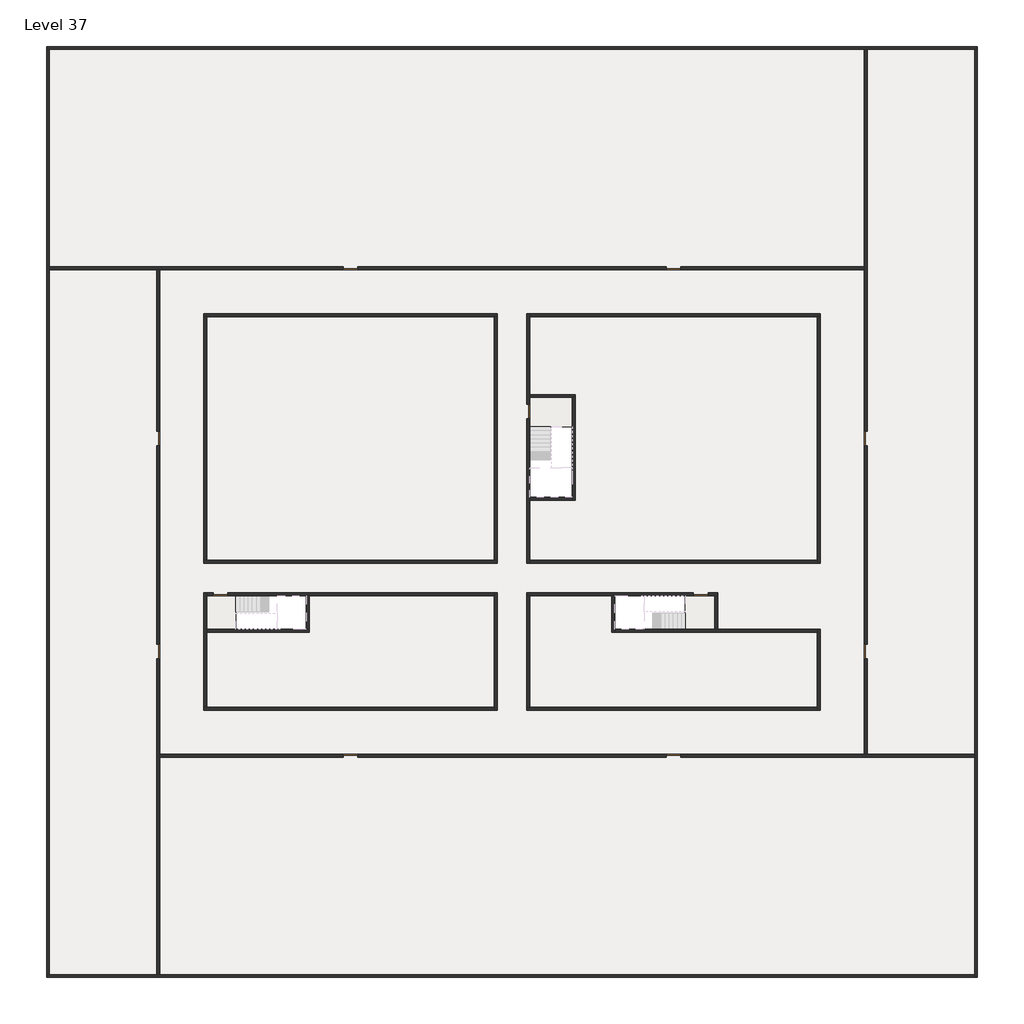
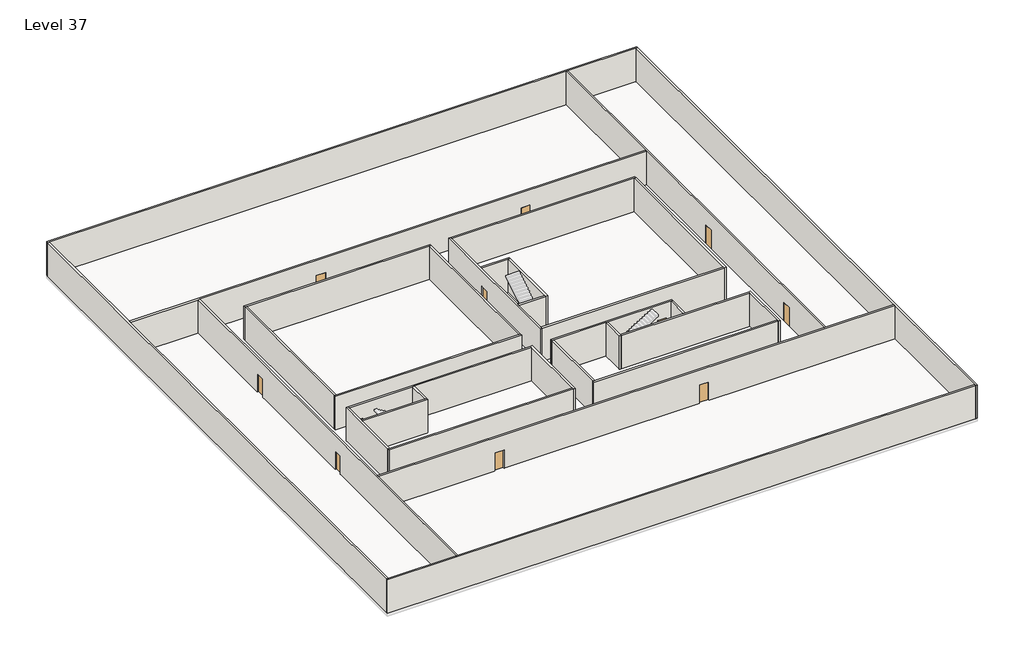
# One storey, part 1 of 2: 32 walls, 11 doors, 1 slab.
"""IFC4 building model written with IfcOpenShell, lengths in millimetres."""

import ifcopenshell
import ifcopenshell.guid

model = None  # the IFC model being written
_history = None  # IfcOwnerHistory: only IFC2X3 demands one
_inside = {}  # id of a spatial element -> (the spatial element, [elements in it])
_under = {}  # id of a project, library or spatial element -> (it, [spatial elements below it])
_declared = {}  # id of a project -> (the project, [libraries it declares])
_typed = {}  # id of a type object -> (the type object, [elements of that type])
_made_of = {}  # id of a material, layer set ... -> (it, [elements and type objects made of it])


def new_model(schema):
    """Start an empty IFC model of exactly this schema.

    Asked for "IFC4X3", IfcOpenShell would pick the latest addendum, in which some entities
    have other attributes; the version numbers below select the first issue.
    IFC2X3 requires an IfcOwnerHistory on every rooted entity: one is made here for all.
    """
    global model, _history
    if schema == "IFC4X3":
        model = ifcopenshell.file(schema_version=(4, 3, 0, 0))
    else:
        model = ifcopenshell.file(schema=schema)
    _inside.clear()
    _under.clear()
    _declared.clear()
    _typed.clear()
    _made_of.clear()
    _history = None
    if model.schema == "IFC2X3":
        org = make("IfcOrganization", Name="unknown")
        user = make(
            "IfcPersonAndOrganization",
            ThePerson=make("IfcPerson", FamilyName="unknown"),
            TheOrganization=org,
        )
        app = make(
            "IfcApplication",
            ApplicationDeveloper=org,
            Version="unknown",
            ApplicationFullName="unknown",
            ApplicationIdentifier="unknown",
        )
        _history = make(
            "IfcOwnerHistory",
            OwningUser=user,
            OwningApplication=app,
            ChangeAction="ADDED",
            CreationDate=0,
        )
    return model


def make(cls, **values):
    """One entity of the class cls with the attributes given. An attribute that is None is left unset."""
    return model.create_entity(
        cls, **{name: value for name, value in values.items() if value is not None}
    )


def rooted(cls, **values):
    """An entity with a GlobalId (a new one), such as an element, a storey or a relation."""
    return make(cls, GlobalId=ifcopenshell.guid.new(), OwnerHistory=_history, **values)


def si_unit(unit_type, name, prefix=None):
    """IfcSIUnit, for example si_unit("LENGTHUNIT", "METRE", prefix="MILLI")."""
    return make("IfcSIUnit", UnitType=unit_type, Prefix=prefix, Name=name)


def assignment(units):
    """IfcUnitAssignment: the units of a project."""
    return None if units is None else make("IfcUnitAssignment", Units=units)


def point(xyz):
    """IfcCartesianPoint."""
    return None if xyz is None else make("IfcCartesianPoint", Coordinates=xyz)


def direction(xyz):
    """IfcDirection."""
    return None if xyz is None else make("IfcDirection", DirectionRatios=xyz)


def frame(location, z_axis=None, x_axis=None):
    """IfcAxis2Placement3D, a coordinate frame: its origin and axes. An axis left out is left unset."""
    return make(
        "IfcAxis2Placement3D",
        Location=point(location),
        Axis=direction(z_axis),
        RefDirection=direction(x_axis),
    )


def origin():
    """The frame at (0, 0, 0) with its axes left unset."""
    return frame((0.0, 0.0, 0.0))


def origin_with_axes():
    """The frame at (0, 0, 0) with the z axis (0, 0, 1) and the x axis (1, 0, 0) written out."""
    return frame((0.0, 0.0, 0.0), z_axis=(0.0, 0.0, 1.0), x_axis=(1.0, 0.0, 0.0))


def place(relative_to, where):
    """IfcLocalPlacement: puts the frame where relative to a parent placement (None: the world)."""
    return make(
        "IfcLocalPlacement", PlacementRelTo=relative_to, RelativePlacement=where
    )


def context(
    kind, dimensions, precision=None, world=None, true_north=None, identifier=None
):
    """IfcGeometricRepresentationContext, for example the 3D "Model" context."""
    return make(
        "IfcGeometricRepresentationContext",
        ContextIdentifier=identifier,
        ContextType=kind,
        CoordinateSpaceDimension=dimensions,
        Precision=precision,
        WorldCoordinateSystem=world,
        TrueNorth=true_north,
    )


def project(units=None, contexts=None):
    """IfcProject with its units and contexts."""
    return rooted(
        "IfcProject",
        Name="project",
        RepresentationContexts=contexts,
        UnitsInContext=assignment(units),
    )


def spatial(cls, under=None, at=None, **own):
    """A site, building, storey or space (cls), placed at a placement, below another one or the project."""
    s = rooted(cls, ObjectPlacement=at, **own)
    if under is not None:
        _under.setdefault(under.id(), (under, []))[1].append(s)
    return s


def polyline(points):
    """IfcPolyline through the points."""
    return make("IfcPolyline", Points=[point(p) for p in points])


def outline(outer, holes=None, kind="AREA"):
    """IfcArbitraryClosedProfileDef: a profile drawn as a closed curve; with holes, ...WithVoids."""
    if holes is None:
        return make("IfcArbitraryClosedProfileDef", ProfileType=kind, OuterCurve=outer)
    return make(
        "IfcArbitraryProfileDefWithVoids",
        ProfileType=kind,
        OuterCurve=outer,
        InnerCurves=holes,
    )


def extrude(swept, where, along, depth):
    """IfcExtrudedAreaSolid: the profile swept, set in the frame where, extruded along a direction by depth."""
    return make(
        "IfcExtrudedAreaSolid",
        SweptArea=swept,
        Position=where,
        ExtrudedDirection=direction(along),
        Depth=depth,
    )


def faces_of(points, faces, orient=None, outer=None):
    """IfcFace entities. A face is a list of loops; a loop is a list of indices into points, from 0.

    orient and outer hold one flag for each loop. By default every Orientation is true, the
    first loop of a face is its IfcFaceOuterBound and the others are IfcFaceBound.
    """
    made = []
    for i, loops in enumerate(faces):
        bounds = []
        for j, loop in enumerate(loops):
            is_outer = j == 0 if outer is None else outer[i][j]
            bounds.append(
                make(
                    "IfcFaceOuterBound" if is_outer else "IfcFaceBound",
                    Bound=make("IfcPolyLoop", Polygon=[points[k] for k in loop]),
                    Orientation=True if orient is None else orient[i][j],
                )
            )
        made.append(make("IfcFace", Bounds=bounds))
    return made


def faceted_brep(points, faces, orient=None, outer=None, voids=None):
    """IfcFacetedBrep: a solid bounded by flat faces; with voids (closed shells), ...WithVoids."""
    shared = [point(p) for p in points]
    hull = make("IfcClosedShell", CfsFaces=faces_of(shared, faces, orient, outer))
    if voids is None:
        return make("IfcFacetedBrep", Outer=hull)
    return make(
        "IfcFacetedBrepWithVoids",
        Outer=hull,
        Voids=[
            make(cls, CfsFaces=faces_of(shared, fs, o, b)) for cls, fs, o, b in voids
        ],
    )


def shape(context_of_items, identifier, shape_type, items):
    """IfcShapeRepresentation: the items that make up one representation, for example the "Body"."""
    return make(
        "IfcShapeRepresentation",
        ContextOfItems=context_of_items,
        RepresentationIdentifier=identifier,
        RepresentationType=shape_type,
        Items=items,
    )


def source(mapping_origin, context_of_items, identifier, shape_type, items):
    """IfcRepresentationMap: a shape defined once, which mapped items show again and again."""
    return make(
        "IfcRepresentationMap",
        MappingOrigin=mapping_origin,
        MappedRepresentation=shape(context_of_items, identifier, shape_type, items),
    )


def transform(
    local_origin,
    x_axis=None,
    y_axis=None,
    z_axis=None,
    scale=None,
    scale2=None,
    scale3=None,
    uniform=True,
):
    """IfcCartesianTransformationOperator3D, or its non-uniform kind. x_axis, y_axis, z_axis: its Axis1, 2, 3."""
    if uniform:
        return make(
            "IfcCartesianTransformationOperator3D",
            Axis1=direction(x_axis),
            Axis2=direction(y_axis),
            LocalOrigin=point(local_origin),
            Scale=scale,
            Axis3=direction(z_axis),
        )
    return make(
        "IfcCartesianTransformationOperator3DnonUniform",
        Axis1=direction(x_axis),
        Axis2=direction(y_axis),
        LocalOrigin=point(local_origin),
        Scale=scale,
        Axis3=direction(z_axis),
        Scale2=scale2,
        Scale3=scale3,
    )


def mapped(mapping_source, mapping_target):
    """IfcMappedItem: shows the shape of a source again, moved by a transform."""
    return make(
        "IfcMappedItem", MappingSource=mapping_source, MappingTarget=mapping_target
    )


def made_of(thing, what):
    """Note that an element or type object is made of a material, layer set ...; save() writes the relation."""
    if what is not None:
        _made_of.setdefault(what.id(), (what, []))[1].append(thing)
    return thing


def element(
    cls,
    number,
    at=None,
    inside=None,
    cuts=None,
    type_object=None,
    material=None,
    context=None,
    identifier="Body",
    shape_type=None,
    held_by="IfcProductDefinitionShape",
    body=None,
    shapes=None,
    **own,
):
    """One element of the class cls, such as IfcWall. Its Tag is "e" and its number.

    at: its placement. inside: the storey or other place that contains it. cuts: it is an
    opening in that element (IfcRelVoidsElement). A single representation is given by context,
    identifier, shape_type and body (its items); several are given by shapes. held_by: the class
    of the entity that holds the representations. save() writes the other relations.
    """
    e = rooted(cls, Tag="e%d" % number, ObjectPlacement=at, **own)
    if body is not None:
        shapes = [shape(context, identifier, shape_type, body)]
    if shapes is not None:
        e.Representation = make(held_by, Representations=shapes)
    if inside is not None:
        _inside.setdefault(inside.id(), (inside, []))[1].append(e)
    if cuts is not None:
        rooted(
            "IfcRelVoidsElement", RelatingBuildingElement=cuts, RelatedOpeningElement=e
        )
    if type_object is not None:
        _typed.setdefault(type_object.id(), (type_object, []))[1].append(e)
    return made_of(e, material)


def aggregate(whole, parts):
    """IfcRelAggregates: a whole, such as a stair, and the parts it consists of."""
    return rooted("IfcRelAggregates", RelatingObject=whole, RelatedObjects=parts)


def save(model, path):
    """Write the relations noted so far, then the file.

    IfcRelAggregates (storeys below a building ...), IfcRelContainedInSpatialStructure (elements
    in a storey), IfcRelDefinesByType, IfcRelAssociatesMaterial and IfcRelDeclares: one each for
    every whole, place, type object, material and project.
    """
    for whole, parts in _under.values():
        aggregate(whole, parts)
    for where, things in _inside.values():
        rooted(
            "IfcRelContainedInSpatialStructure",
            RelatedElements=things,
            RelatingStructure=where,
        )
    for kind, things in _typed.values():
        rooted("IfcRelDefinesByType", RelatedObjects=things, RelatingType=kind)
    for what, things in _made_of.values():
        rooted("IfcRelAssociatesMaterial", RelatedObjects=things, RelatingMaterial=what)
    for by, libraries in _declared.values():
        rooted("IfcRelDeclares", RelatingContext=by, RelatedDefinitions=libraries)
    model.write(path)


def door_fb3c37fd(model_context):
    return source(origin(), model_context, "Body", "SweptSolid", [
        extrude(outline(polyline([(500.0, 49.0), (-500.0, 49.0), (-500.0, 100.0), (500.0, 100.0), (500.0, 49.0)])), origin_with_axes(), (0.0, 0.0, 1.0), 2100.0),
    ])


def door_0317a72c(model_context):
    return source(origin(), model_context, "Body", "SweptSolid", [
        extrude(outline(polyline([(500.0, -49.0), (500.0, -100.0), (-500.0, -100.0), (-500.0, -49.0), (500.0, -49.0)])), origin_with_axes(), (0.0, 0.0, 1.0), 2100.0),
    ])


model = new_model("IFC4")

# Units and contexts
model_context = context("Model", 3, world=origin())
ifc_project = project(units=[si_unit("LENGTHUNIT", "METRE", prefix="MILLI")], contexts=[model_context])

# Site, building, storey
site = spatial("IfcSite", under=ifc_project)
building = spatial("IfcBuilding", under=site)
storey = spatial("IfcBuildingStorey", under=building, Name="Level 37", Elevation=136800.0)

# Doors
placement = place(None, origin())
door_shape = door_fb3c37fd(model_context)
element("IfcDoor", 1, at=placement, inside=storey, context=model_context, shape_type="MappedRepresentation", body=[
    mapped(door_shape, transform((4340.1058784, -42818.09644, 136800.0), x_axis=(-1.0, 0.0, 0.0), y_axis=(0.0, -1.0, 0.0), z_axis=(0.0, 0.0, 1.0))),
])
element("IfcDoor", 2, at=placement, inside=storey, context=model_context, shape_type="MappedRepresentation", body=[
    mapped(door_shape, transform((90.1058784, -32218.09644, 136800.0), x_axis=(0.0, -1.0, 0.0), y_axis=(1.0, 0.0, 0.0), z_axis=(0.0, 0.0, 1.0))),
])
element("IfcDoor", 3, at=placement, inside=storey, context=model_context, shape_type="MappedRepresentation", body=[
    mapped(door_shape, transform((90.1058784, -46718.09644, 136800.0), x_axis=(0.0, -1.0, 0.0), y_axis=(1.0, 0.0, 0.0), z_axis=(0.0, 0.0, 1.0))),
])
element("IfcDoor", 4, at=placement, inside=storey, context=model_context, shape_type="MappedRepresentation", body=[
    mapped(door_shape, transform((13190.1058784, -53818.09644, 136800.0), x_axis=(1.0, 0.0, 0.0), y_axis=(0.0, 1.0, 0.0), z_axis=(0.0, 0.0, 1.0))),
])
element("IfcDoor", 5, at=placement, inside=storey, context=model_context, shape_type="MappedRepresentation", body=[
    mapped(door_shape, transform((35190.1058784, -53818.09644, 136800.0), x_axis=(1.0, 0.0, 0.0), y_axis=(0.0, 1.0, 0.0), z_axis=(0.0, 0.0, 1.0))),
])
element("IfcDoor", 6, at=placement, inside=storey, context=model_context, shape_type="MappedRepresentation", body=[
    mapped(door_shape, transform((35190.1058784, -20618.09644, 136800.0), x_axis=(-1.0, 0.0, 0.0), y_axis=(0.0, -1.0, 0.0), z_axis=(0.0, 0.0, 1.0))),
])
element("IfcDoor", 7, at=placement, inside=storey, context=model_context, shape_type="MappedRepresentation", body=[
    mapped(door_shape, transform((13190.1058784, -20618.09644, 136800.0), x_axis=(-1.0, 0.0, 0.0), y_axis=(0.0, -1.0, 0.0), z_axis=(0.0, 0.0, 1.0))),
])
door_2_shape = door_0317a72c(model_context)
element("IfcDoor", 8, at=placement, inside=storey, context=model_context, shape_type="MappedRepresentation", body=[
    mapped(door_2_shape, transform((25290.1058784, -30368.09644, 136800.0), x_axis=(0.0, 1.0, 0.0), y_axis=(-1.0, 0.0, 0.0), z_axis=(0.0, 0.0, 1.0))),
])
element("IfcDoor", 9, at=placement, inside=storey, context=model_context, shape_type="MappedRepresentation", body=[
    mapped(door_2_shape, transform((37040.1058784, -42818.09644, 136800.0), x_axis=(1.0, 0.0, 0.0), y_axis=(0.0, 1.0, 0.0), z_axis=(0.0, 0.0, 1.0))),
])
element("IfcDoor", 10, at=placement, inside=storey, context=model_context, shape_type="MappedRepresentation", body=[
    mapped(door_2_shape, transform((48290.1058784, -46718.09644, 136800.0), x_axis=(0.0, -1.0, 0.0), y_axis=(1.0, 0.0, 0.0), z_axis=(0.0, 0.0, 1.0))),
])
element("IfcDoor", 11, at=placement, inside=storey, context=model_context, shape_type="MappedRepresentation", body=[
    mapped(door_2_shape, transform((48290.1058784, -32218.09644, 136800.0), x_axis=(0.0, -1.0, 0.0), y_axis=(1.0, 0.0, 0.0), z_axis=(0.0, 0.0, 1.0))),
])

# Slab
element("IfcSlab", 12, at=placement, inside=storey, context=model_context, shape_type="SweptSolid", body=[
    extrude(outline(polyline([(5390.1058784, -42918.09644), (5390.1058784, -45218.09644), (3390.1058784, -45218.09644), (3390.1058784, -42918.09644), (5390.1058784, -42918.09644)])), frame((0.0, 0.0, 136500.0), z_axis=(0.0, 0.0, 1.0), x_axis=(1.0, 0.0, 0.0)), (0.0, 0.0, 1.0), 300.0),
    extrude(outline(polyline([(28290.1058784, -29418.09644), (28290.1058784, -31418.09644), (25390.1058784, -31418.09644), (25390.1058784, -29418.09644), (28290.1058784, -29418.09644)])), frame((0.0, 0.0, 136500.0), z_axis=(0.0, 0.0, 1.0), x_axis=(1.0, 0.0, 0.0)), (0.0, 0.0, 1.0), 300.0),
    extrude(outline(polyline([(37990.1058784, -42918.09644), (37990.1058784, -45218.09644), (35990.1058784, -45218.09644), (35990.1058784, -42918.09644), (37990.1058784, -42918.09644)])), frame((0.0, 0.0, 136500.0), z_axis=(0.0, 0.0, 1.0), x_axis=(1.0, 0.0, 0.0)), (0.0, 0.0, 1.0), 300.0),
])

# Walls
element("IfcWall", 13, at=placement, inside=storey, context=model_context, shape_type="Brep", body=[
    faceted_brep([(-7509.8941216, -5718.09644, 136800.0), (-7309.8941216, -5718.09644, 136800.0), (48190.1058784, -5718.09644, 136800.0), (48390.1058784, -5718.09644, 136800.0), (55690.1058784, -5718.09644, 136800.0), (55890.1058784, -5718.09644, 136800.0), (55890.1058784, -5718.09644, 140600.0), (55690.1058784, -5718.09644, 140600.0), (48390.1058784, -5718.09644, 140600.0), (48190.1058784, -5718.09644, 140600.0), (-7309.8941216, -5718.09644, 140600.0), (-7509.8941216, -5718.09644, 140600.0), (-7509.8941216, -5518.09644, 136800.0), (-7509.8941216, -5518.09644, 140600.0), (55890.1058784, -5518.09644, 140600.0), (55890.1058784, -5518.09644, 136800.0)], [[[0, 1, 2, 3, 4, 5, 6, 7, 8, 9, 10, 11]], [[12, 13, 14, 15]], [[5, 4, 3, 2, 1, 0, 12, 15]], [[11, 10, 9, 8, 7, 6, 14, 13]], [[0, 11, 13, 12]], [[6, 5, 15, 14]]]),
])
element("IfcWall", 14, at=placement, inside=storey, context=model_context, shape_type="Brep", body=[
    faceted_brep([(55690.1058784, -5718.09644, 136800.0), (55690.1058784, -53718.09644, 136800.0), (55690.1058784, -53918.09644, 136800.0), (55690.1058784, -68718.09644, 136800.0), (55690.1058784, -68918.09644, 136800.0), (55690.1058784, -68918.09644, 140600.0), (55690.1058784, -68718.09644, 140600.0), (55690.1058784, -53918.09644, 140600.0), (55690.1058784, -53718.09644, 140600.0), (55690.1058784, -5718.09644, 140600.0), (55890.1058784, -5718.09644, 136800.0), (55890.1058784, -5718.09644, 140600.0), (55890.1058784, -68918.09644, 140600.0), (55890.1058784, -68918.09644, 136800.0)], [[[0, 1, 2, 3, 4, 5, 6, 7, 8, 9]], [[10, 11, 12, 13]], [[4, 3, 2, 1, 0, 10, 13]], [[9, 8, 7, 6, 5, 12, 11]], [[5, 4, 13, 12]], [[0, 9, 11, 10]]]),
])
element("IfcWall", 15, at=placement, inside=storey, context=model_context, shape_type="Brep", body=[
    faceted_brep([(55690.1058784, -68718.09644, 136800.0), (190.1058784, -68718.09644, 136800.0), (-9.8941216, -68718.09644, 136800.0), (-7309.8941216, -68718.09644, 136800.0), (-7509.8941216, -68718.09644, 136800.0), (-7509.8941216, -68718.09644, 140600.0), (-7309.8941216, -68718.09644, 140600.0), (-9.8941216, -68718.09644, 140600.0), (190.1058784, -68718.09644, 140600.0), (55690.1058784, -68718.09644, 140600.0), (55690.1058784, -68918.09644, 136800.0), (55690.1058784, -68918.09644, 140600.0), (-7509.8941216, -68918.09644, 140600.0), (-7509.8941216, -68918.09644, 136800.0)], [[[0, 1, 2, 3, 4, 5, 6, 7, 8, 9]], [[10, 11, 12, 13]], [[4, 3, 2, 1, 0, 10, 13]], [[9, 8, 7, 6, 5, 12, 11]], [[5, 4, 13, 12]], [[0, 9, 11, 10]]]),
])
element("IfcWall", 16, at=placement, inside=storey, context=model_context, shape_type="Brep", body=[
    faceted_brep([(-7309.8941216, -68718.09644, 136800.0), (-7309.8941216, -20718.09644, 136800.0), (-7309.8941216, -20518.09644, 136800.0), (-7309.8941216, -5718.09644, 136800.0), (-7309.8941216, -5718.09644, 140600.0), (-7309.8941216, -20518.09644, 140600.0), (-7309.8941216, -20718.09644, 140600.0), (-7309.8941216, -68718.09644, 140600.0), (-7509.8941216, -68718.09644, 136800.0), (-7509.8941216, -68718.09644, 140600.0), (-7509.8941216, -5718.09644, 140600.0), (-7509.8941216, -5718.09644, 136800.0)], [[[0, 1, 2, 3, 4, 5, 6, 7]], [[8, 9, 10, 11]], [[3, 2, 1, 0, 8, 11]], [[7, 6, 5, 4, 10, 9]], [[0, 7, 9, 8]], [[4, 3, 11, 10]]]),
])
element("IfcWall", 17, at=placement, inside=storey, context=model_context, shape_type="Brep", body=[
    faceted_brep([(3190.1058784, -23918.09644, 136800.0), (3390.1058784, -23918.09644, 136800.0), (22990.1058784, -23918.09644, 136800.0), (23190.1058784, -23918.09644, 136800.0), (23190.1058784, -23918.09644, 140600.0), (22990.1058784, -23918.09644, 140600.0), (3390.1058784, -23918.09644, 140600.0), (3190.1058784, -23918.09644, 140600.0), (3190.1058784, -23718.09644, 136800.0), (3190.1058784, -23718.09644, 140600.0), (23190.1058784, -23718.09644, 140600.0), (23190.1058784, -23718.09644, 136800.0)], [[[0, 1, 2, 3, 4, 5, 6, 7]], [[8, 9, 10, 11]], [[3, 2, 1, 0, 8, 11]], [[7, 6, 5, 4, 10, 9]], [[0, 7, 9, 8]], [[4, 3, 11, 10]]]),
])
element("IfcWall", 18, at=placement, inside=storey, context=model_context, shape_type="Brep", body=[
    faceted_brep([(44990.1058784, -23918.09644, 136800.0), (44990.1058784, -40518.09644, 136800.0), (44990.1058784, -40718.09644, 136800.0), (44990.1058784, -40718.09644, 140600.0), (44990.1058784, -40518.09644, 140600.0), (44990.1058784, -23918.09644, 140600.0), (45190.1058784, -23918.09644, 136800.0), (45190.1058784, -23918.09644, 140600.0), (45190.1058784, -40718.09644, 140600.0), (45190.1058784, -40718.09644, 136800.0)], [[[0, 1, 2, 3, 4, 5]], [[6, 7, 8, 9]], [[2, 1, 0, 6, 9]], [[5, 4, 3, 8, 7]], [[3, 2, 9, 8]], [[0, 5, 7, 6]]]),
])
element("IfcWall", 19, at=placement, inside=storey, context=model_context, shape_type="Brep", body=[
    faceted_brep([(44990.1058784, -50518.09644, 136800.0), (25390.1058784, -50518.09644, 136800.0), (25190.1058784, -50518.09644, 136800.0), (25190.1058784, -50518.09644, 140600.0), (25390.1058784, -50518.09644, 140600.0), (44990.1058784, -50518.09644, 140600.0), (44990.1058784, -50718.09644, 136800.0), (44990.1058784, -50718.09644, 140600.0), (25190.1058784, -50718.09644, 140600.0), (25190.1058784, -50718.09644, 136800.0)], [[[0, 1, 2, 3, 4, 5]], [[6, 7, 8, 9]], [[2, 1, 0, 6, 9]], [[5, 4, 3, 8, 7]], [[3, 2, 9, 8]], [[0, 5, 7, 6]]]),
])
element("IfcWall", 20, at=placement, inside=storey, context=model_context, shape_type="Brep", body=[
    faceted_brep([(3390.1058784, -50518.09644, 136800.0), (3390.1058784, -45418.09644, 136800.0), (3390.1058784, -45218.09644, 136800.0), (3390.1058784, -42918.09644, 136800.0), (3390.1058784, -42718.09644, 136800.0), (3390.1058784, -42718.09644, 140600.0), (3390.1058784, -42918.09644, 140600.0), (3390.1058784, -45218.09644, 140600.0), (3390.1058784, -45418.09644, 140600.0), (3390.1058784, -50518.09644, 140600.0), (3190.1058784, -50518.09644, 136800.0), (3190.1058784, -50518.09644, 140600.0), (3190.1058784, -42718.09644, 140600.0), (3190.1058784, -42718.09644, 136800.0)], [[[0, 1, 2, 3, 4, 5, 6, 7, 8, 9]], [[10, 11, 12, 13]], [[4, 3, 2, 1, 0, 10, 13]], [[9, 8, 7, 6, 5, 12, 11]], [[0, 9, 11, 10]], [[5, 4, 13, 12]]]),
])
element("IfcWall", 21, at=placement, inside=storey, context=model_context, shape_type="SweptSolid", body=[
    extrude(outline(polyline([(22990.1058784, -40518.09644), (22990.1058784, -23918.09644), (23190.1058784, -23918.09644), (23190.1058784, -40518.09644), (22990.1058784, -40518.09644)])), frame((0.0, 0.0, 136800.0), z_axis=(0.0, 0.0, 1.0), x_axis=(1.0, 0.0, 0.0)), (0.0, 0.0, 1.0), 3800.0),
])
element("IfcWall", 22, at=placement, inside=storey, context=model_context, shape_type="Brep", body=[
    faceted_brep([(23190.1058784, -40518.09644, 136800.0), (22990.1058784, -40518.09644, 136800.0), (3390.1058784, -40518.09644, 136800.0), (3190.1058784, -40518.09644, 136800.0), (3190.1058784, -40518.09644, 140600.0), (3390.1058784, -40518.09644, 140600.0), (22990.1058784, -40518.09644, 140600.0), (23190.1058784, -40518.09644, 140600.0), (23190.1058784, -40718.09644, 136800.0), (23190.1058784, -40718.09644, 140600.0), (3190.1058784, -40718.09644, 140600.0), (3190.1058784, -40718.09644, 136800.0)], [[[0, 1, 2, 3, 4, 5, 6, 7]], [[8, 9, 10, 11]], [[3, 2, 1, 0, 8, 11]], [[7, 6, 5, 4, 10, 9]], [[4, 3, 11, 10]], [[0, 7, 9, 8]]]),
])
element("IfcWall", 23, at=placement, inside=storey, context=model_context, shape_type="Brep", body=[
    faceted_brep([(3390.1058784, -42918.09644, 136800.0), (3840.1058784, -42918.09644, 136800.0), (3840.1058784, -42918.09644, 138900.0), (4840.1058784, -42918.09644, 138900.0), (4840.1058784, -42918.09644, 136800.0), (10190.1058784, -42918.09644, 136800.0), (10390.1058784, -42918.09644, 136800.0), (22990.1058784, -42918.09644, 136800.0), (22990.1058784, -42918.09644, 140600.0), (10390.1058784, -42918.09644, 140600.0), (10190.1058784, -42918.09644, 140600.0), (3390.1058784, -42918.09644, 140600.0), (3840.1058784, -42718.09644, 138900.0), (3840.1058784, -42718.09644, 136800.0), (3390.1058784, -42718.09644, 136800.0), (3390.1058784, -42718.09644, 140600.0), (22990.1058784, -42718.09644, 140600.0), (22990.1058784, -42718.09644, 136800.0), (4840.1058784, -42718.09644, 136800.0), (4840.1058784, -42718.09644, 138900.0)], [[[0, 1, 2, 3, 4, 5, 6, 7, 8, 9, 10, 11]], [[12, 13, 14, 15, 16, 17, 18, 19]], [[18, 17, 7, 6, 5, 4]], [[14, 13, 1, 0]], [[11, 10, 9, 8, 16, 15]], [[2, 1, 13, 12]], [[3, 2, 12, 19]], [[4, 3, 19, 18]], [[0, 11, 15, 14]], [[8, 7, 17, 16]]]),
])
element("IfcWall", 24, at=placement, inside=storey, context=model_context, shape_type="SweptSolid", body=[
    extrude(outline(polyline([(25390.1058784, -40518.09644), (44990.1058784, -40518.09644), (44990.1058784, -40718.09644), (25390.1058784, -40718.09644), (25390.1058784, -40518.09644)])), frame((0.0, 0.0, 136800.0), z_axis=(0.0, 0.0, 1.0), x_axis=(1.0, 0.0, 0.0)), (0.0, 0.0, 1.0), 3800.0),
])
element("IfcWall", 25, at=placement, inside=storey, context=model_context, shape_type="Brep", body=[
    faceted_brep([(25390.1058784, -29868.09644, 138900.0), (25390.1058784, -29868.09644, 136800.0), (25390.1058784, -29418.09644, 136800.0), (25390.1058784, -29218.09644, 136800.0), (25390.1058784, -23918.09644, 136800.0), (25390.1058784, -23718.09644, 136800.0), (25390.1058784, -23718.09644, 140600.0), (25390.1058784, -23918.09644, 140600.0), (25390.1058784, -29218.09644, 140600.0), (25390.1058784, -29418.09644, 140600.0), (25390.1058784, -36218.09644, 140600.0), (25390.1058784, -36418.09644, 140600.0), (25390.1058784, -40518.09644, 140600.0), (25390.1058784, -40718.09644, 140600.0), (25390.1058784, -40718.09644, 136800.0), (25390.1058784, -40518.09644, 136800.0), (25390.1058784, -36418.09644, 136800.0), (25390.1058784, -36218.09644, 136800.0), (25390.1058784, -30868.09644, 136800.0), (25390.1058784, -30868.09644, 138900.0), (25190.1058784, -23718.09644, 136800.0), (25190.1058784, -29868.09644, 136800.0), (25190.1058784, -29868.09644, 138900.0), (25190.1058784, -30868.09644, 138900.0), (25190.1058784, -30868.09644, 136800.0), (25190.1058784, -40718.09644, 136800.0), (25190.1058784, -40718.09644, 140600.0), (25190.1058784, -23718.09644, 140600.0)], [[[0, 1, 2, 3, 4, 5, 6, 7, 8, 9, 10, 11, 12, 13, 14, 15, 16, 17, 18, 19]], [[20, 21, 22, 23, 24, 25, 26, 27]], [[5, 4, 3, 2, 1, 21, 20]], [[18, 17, 16, 15, 14, 25, 24]], [[13, 12, 11, 10, 9, 8, 7, 6, 27, 26]], [[22, 21, 1, 0]], [[23, 22, 0, 19]], [[24, 23, 19, 18]], [[14, 13, 26, 25]], [[6, 5, 20, 27]]]),
])
element("IfcWall", 26, at=placement, inside=storey, context=model_context, shape_type="SweptSolid", body=[
    extrude(outline(polyline([(3390.1058784, -23918.09644), (3390.1058784, -40518.09644), (3190.1058784, -40518.09644), (3190.1058784, -23918.09644), (3390.1058784, -23918.09644)])), frame((0.0, 0.0, 136800.0), z_axis=(0.0, 0.0, 1.0), x_axis=(1.0, 0.0, 0.0)), (0.0, 0.0, 1.0), 3800.0),
])
element("IfcWall", 27, at=placement, inside=storey, context=model_context, shape_type="Brep", body=[
    faceted_brep([(25390.1058784, -23918.09644, 136800.0), (44990.1058784, -23918.09644, 136800.0), (45190.1058784, -23918.09644, 136800.0), (45190.1058784, -23918.09644, 140600.0), (44990.1058784, -23918.09644, 140600.0), (25390.1058784, -23918.09644, 140600.0), (25390.1058784, -23718.09644, 136800.0), (25390.1058784, -23718.09644, 140600.0), (45190.1058784, -23718.09644, 140600.0), (45190.1058784, -23718.09644, 136800.0)], [[[0, 1, 2, 3, 4, 5]], [[6, 7, 8, 9]], [[2, 1, 0, 6, 9]], [[5, 4, 3, 8, 7]], [[3, 2, 9, 8]], [[0, 5, 7, 6]]]),
])
element("IfcWall", 28, at=placement, inside=storey, context=model_context, shape_type="Brep", body=[
    faceted_brep([(44990.1058784, -45218.09644, 136800.0), (44990.1058784, -45418.09644, 136800.0), (44990.1058784, -50518.09644, 136800.0), (44990.1058784, -50718.09644, 136800.0), (44990.1058784, -50718.09644, 140600.0), (44990.1058784, -50518.09644, 140600.0), (44990.1058784, -45418.09644, 140600.0), (44990.1058784, -45218.09644, 140600.0), (45190.1058784, -45218.09644, 136800.0), (45190.1058784, -45218.09644, 140600.0), (45190.1058784, -50718.09644, 140600.0), (45190.1058784, -50718.09644, 136800.0)], [[[0, 1, 2, 3, 4, 5, 6, 7]], [[8, 9, 10, 11]], [[3, 2, 1, 0, 8, 11]], [[7, 6, 5, 4, 10, 9]], [[4, 3, 11, 10]], [[0, 7, 9, 8]]]),
])
element("IfcWall", 29, at=placement, inside=storey, context=model_context, shape_type="Brep", body=[
    faceted_brep([(25390.1058784, -29418.09644, 136800.0), (28290.1058784, -29418.09644, 136800.0), (28490.1058784, -29418.09644, 136800.0), (28490.1058784, -29418.09644, 140600.0), (28290.1058784, -29418.09644, 140600.0), (25390.1058784, -29418.09644, 140600.0), (25390.1058784, -29218.09644, 136800.0), (25390.1058784, -29218.09644, 140600.0), (28490.1058784, -29218.09644, 140600.0), (28490.1058784, -29218.09644, 136800.0)], [[[0, 1, 2, 3, 4, 5]], [[6, 7, 8, 9]], [[2, 1, 0, 6, 9]], [[5, 4, 3, 8, 7]], [[3, 2, 9, 8]], [[0, 5, 7, 6]]]),
])
element("IfcWall", 30, at=placement, inside=storey, context=model_context, shape_type="Brep", body=[
    faceted_brep([(28290.1058784, -29418.09644, 136800.0), (28290.1058784, -36218.09644, 136800.0), (28290.1058784, -36418.09644, 136800.0), (28290.1058784, -36418.09644, 140600.0), (28290.1058784, -36218.09644, 140600.0), (28290.1058784, -29418.09644, 140600.0), (28490.1058784, -29418.09644, 136800.0), (28490.1058784, -29418.09644, 140600.0), (28490.1058784, -36418.09644, 140600.0), (28490.1058784, -36418.09644, 136800.0)], [[[0, 1, 2, 3, 4, 5]], [[6, 7, 8, 9]], [[2, 1, 0, 6, 9]], [[5, 4, 3, 8, 7]], [[3, 2, 9, 8]], [[0, 5, 7, 6]]]),
])
element("IfcWall", 31, at=placement, inside=storey, context=model_context, shape_type="SweptSolid", body=[
    extrude(outline(polyline([(25390.1058784, -36218.09644), (28290.1058784, -36218.09644), (28290.1058784, -36418.09644), (25390.1058784, -36418.09644), (25390.1058784, -36218.09644)])), frame((0.0, 0.0, 136800.0), z_axis=(0.0, 0.0, 1.0), x_axis=(1.0, 0.0, 0.0)), (0.0, 0.0, 1.0), 3800.0),
])
element("IfcWall", 32, at=placement, inside=storey, context=model_context, shape_type="Brep", body=[
    faceted_brep([(3390.1058784, -45418.09644, 136800.0), (10390.1058784, -45418.09644, 136800.0), (10390.1058784, -45418.09644, 140600.0), (3390.1058784, -45418.09644, 140600.0), (3390.1058784, -45218.09644, 136800.0), (3390.1058784, -45218.09644, 140600.0), (10190.1058784, -45218.09644, 140600.0), (10390.1058784, -45218.09644, 140600.0), (10390.1058784, -45218.09644, 136800.0), (10190.1058784, -45218.09644, 136800.0)], [[[0, 1, 2, 3]], [[4, 5, 6, 7, 8, 9]], [[1, 0, 4, 9, 8]], [[3, 2, 7, 6, 5]], [[2, 1, 8, 7]], [[0, 3, 5, 4]]]),
])
element("IfcWall", 33, at=placement, inside=storey, context=model_context, shape_type="SweptSolid", body=[
    extrude(outline(polyline([(10390.1058784, -42918.09644), (10390.1058784, -45218.09644), (10190.1058784, -45218.09644), (10190.1058784, -42918.09644), (10390.1058784, -42918.09644)])), frame((0.0, 0.0, 136800.0), z_axis=(0.0, 0.0, 1.0), x_axis=(1.0, 0.0, 0.0)), (0.0, 0.0, 1.0), 3800.0),
])
element("IfcWall", 34, at=placement, inside=storey, context=model_context, shape_type="Brep", body=[
    faceted_brep([(30990.1058784, -42918.09644, 136800.0), (30990.1058784, -45418.09644, 136800.0), (30990.1058784, -45418.09644, 140600.0), (30990.1058784, -42918.09644, 140600.0), (31190.1058784, -42918.09644, 136800.0), (31190.1058784, -42918.09644, 140600.0), (31190.1058784, -45218.09644, 140600.0), (31190.1058784, -45418.09644, 140600.0), (31190.1058784, -45418.09644, 136800.0), (31190.1058784, -45218.09644, 136800.0)], [[[0, 1, 2, 3]], [[4, 5, 6, 7, 8, 9]], [[1, 0, 4, 9, 8]], [[3, 2, 7, 6, 5]], [[2, 1, 8, 7]], [[0, 3, 5, 4]]]),
])
element("IfcWall", 35, at=placement, inside=storey, context=model_context, shape_type="Brep", body=[
    faceted_brep([(31190.1058784, -45418.09644, 136800.0), (44990.1058784, -45418.09644, 136800.0), (44990.1058784, -45418.09644, 140600.0), (31190.1058784, -45418.09644, 140600.0), (31190.1058784, -45218.09644, 136800.0), (31190.1058784, -45218.09644, 140600.0), (37990.1058784, -45218.09644, 140600.0), (38190.1058784, -45218.09644, 140600.0), (44990.1058784, -45218.09644, 140600.0), (44990.1058784, -45218.09644, 136800.0), (38190.1058784, -45218.09644, 136800.0), (37990.1058784, -45218.09644, 136800.0)], [[[0, 1, 2, 3]], [[4, 5, 6, 7, 8, 9, 10, 11]], [[1, 0, 4, 11, 10, 9]], [[3, 2, 8, 7, 6, 5]], [[0, 3, 5, 4]], [[2, 1, 9, 8]]]),
])
element("IfcWall", 36, at=placement, inside=storey, context=model_context, shape_type="SweptSolid", body=[
    extrude(outline(polyline([(25190.1058784, -50518.09644), (25190.1058784, -42918.09644), (25390.1058784, -42918.09644), (25390.1058784, -50518.09644), (25190.1058784, -50518.09644)])), frame((0.0, 0.0, 136800.0), z_axis=(0.0, 0.0, 1.0), x_axis=(1.0, 0.0, 0.0)), (0.0, 0.0, 1.0), 3800.0),
])
element("IfcWall", 37, at=placement, inside=storey, context=model_context, shape_type="Brep", body=[
    faceted_brep([(22990.1058784, -42718.09644, 136800.0), (22990.1058784, -42918.09644, 136800.0), (22990.1058784, -50518.09644, 136800.0), (22990.1058784, -50718.09644, 136800.0), (22990.1058784, -50718.09644, 140600.0), (22990.1058784, -50518.09644, 140600.0), (22990.1058784, -42918.09644, 140600.0), (22990.1058784, -42718.09644, 140600.0), (23190.1058784, -42718.09644, 136800.0), (23190.1058784, -42718.09644, 140600.0), (23190.1058784, -50718.09644, 140600.0), (23190.1058784, -50718.09644, 136800.0)], [[[0, 1, 2, 3, 4, 5, 6, 7]], [[8, 9, 10, 11]], [[3, 2, 1, 0, 8, 11]], [[7, 6, 5, 4, 10, 9]], [[4, 3, 11, 10]], [[0, 7, 9, 8]]]),
])
element("IfcWall", 38, at=placement, inside=storey, context=model_context, shape_type="Brep", body=[
    faceted_brep([(37540.1058784, -42918.09644, 138900.0), (37540.1058784, -42918.09644, 136800.0), (37990.1058784, -42918.09644, 136800.0), (38190.1058784, -42918.09644, 136800.0), (38190.1058784, -42918.09644, 140600.0), (37990.1058784, -42918.09644, 140600.0), (31190.1058784, -42918.09644, 140600.0), (30990.1058784, -42918.09644, 140600.0), (25390.1058784, -42918.09644, 140600.0), (25190.1058784, -42918.09644, 140600.0), (25190.1058784, -42918.09644, 136800.0), (25390.1058784, -42918.09644, 136800.0), (30990.1058784, -42918.09644, 136800.0), (31190.1058784, -42918.09644, 136800.0), (36540.1058784, -42918.09644, 136800.0), (36540.1058784, -42918.09644, 138900.0), (38190.1058784, -42718.09644, 136800.0), (37540.1058784, -42718.09644, 136800.0), (37540.1058784, -42718.09644, 138900.0), (36540.1058784, -42718.09644, 138900.0), (36540.1058784, -42718.09644, 136800.0), (25190.1058784, -42718.09644, 136800.0), (25190.1058784, -42718.09644, 140600.0), (38190.1058784, -42718.09644, 140600.0)], [[[0, 1, 2, 3, 4, 5, 6, 7, 8, 9, 10, 11, 12, 13, 14, 15]], [[16, 17, 18, 19, 20, 21, 22, 23]], [[3, 2, 1, 17, 16]], [[14, 13, 12, 11, 10, 21, 20]], [[9, 8, 7, 6, 5, 4, 23, 22]], [[18, 17, 1, 0]], [[19, 18, 0, 15]], [[20, 19, 15, 14]], [[10, 9, 22, 21]], [[4, 3, 16, 23]]]),
])
element("IfcWall", 39, at=placement, inside=storey, context=model_context, shape_type="Brep", body=[
    faceted_brep([(22990.1058784, -50518.09644, 136800.0), (3390.1058784, -50518.09644, 136800.0), (3190.1058784, -50518.09644, 136800.0), (3190.1058784, -50518.09644, 140600.0), (3390.1058784, -50518.09644, 140600.0), (22990.1058784, -50518.09644, 140600.0), (22990.1058784, -50718.09644, 136800.0), (22990.1058784, -50718.09644, 140600.0), (3190.1058784, -50718.09644, 140600.0), (3190.1058784, -50718.09644, 136800.0)], [[[0, 1, 2, 3, 4, 5]], [[6, 7, 8, 9]], [[2, 1, 0, 6, 9]], [[5, 4, 3, 8, 7]], [[3, 2, 9, 8]], [[0, 5, 7, 6]]]),
])
element("IfcWall", 40, at=placement, inside=storey, context=model_context, shape_type="SweptSolid", body=[
    extrude(outline(polyline([(37990.1058784, -45218.09644), (37990.1058784, -42918.09644), (38190.1058784, -42918.09644), (38190.1058784, -45218.09644), (37990.1058784, -45218.09644)])), frame((0.0, 0.0, 136800.0), z_axis=(0.0, 0.0, 1.0), x_axis=(1.0, 0.0, 0.0)), (0.0, 0.0, 1.0), 3800.0),
])
element("IfcWall", 41, at=placement, inside=storey, context=model_context, shape_type="Brep", body=[
    faceted_brep([(-7309.8941216, -20718.09644, 136800.0), (-9.8941216, -20718.09644, 136800.0), (190.1058784, -20718.09644, 136800.0), (12690.1058784, -20718.09644, 136800.0), (12690.1058784, -20718.09644, 138900.0), (13690.1058784, -20718.09644, 138900.0), (13690.1058784, -20718.09644, 136800.0), (34690.1058784, -20718.09644, 136800.0), (34690.1058784, -20718.09644, 138900.0), (35690.1058784, -20718.09644, 138900.0), (35690.1058784, -20718.09644, 136800.0), (48190.1058784, -20718.09644, 136800.0), (48190.1058784, -20718.09644, 140600.0), (190.1058784, -20718.09644, 140600.0), (-9.8941216, -20718.09644, 140600.0), (-7309.8941216, -20718.09644, 140600.0), (12690.1058784, -20518.09644, 138900.0), (12690.1058784, -20518.09644, 136800.0), (-7309.8941216, -20518.09644, 136800.0), (-7309.8941216, -20518.09644, 140600.0), (48190.1058784, -20518.09644, 140600.0), (48190.1058784, -20518.09644, 136800.0), (35690.1058784, -20518.09644, 136800.0), (35690.1058784, -20518.09644, 138900.0), (34690.1058784, -20518.09644, 138900.0), (34690.1058784, -20518.09644, 136800.0), (13690.1058784, -20518.09644, 136800.0), (13690.1058784, -20518.09644, 138900.0)], [[[0, 1, 2, 3, 4, 5, 6, 7, 8, 9, 10, 11, 12, 13, 14, 15]], [[16, 17, 18, 19, 20, 21, 22, 23, 24, 25, 26, 27]], [[22, 21, 11, 10]], [[26, 25, 7, 6]], [[18, 17, 3, 2, 1, 0]], [[15, 14, 13, 12, 20, 19]], [[12, 11, 21, 20]], [[8, 7, 25, 24]], [[9, 8, 24, 23]], [[10, 9, 23, 22]], [[4, 3, 17, 16]], [[5, 4, 16, 27]], [[6, 5, 27, 26]], [[0, 15, 19, 18]]]),
])
element("IfcWall", 42, at=placement, inside=storey, context=model_context, shape_type="Brep", body=[
    faceted_brep([(48190.1058784, -32718.09644, 138900.0), (48190.1058784, -32718.09644, 136800.0), (48190.1058784, -46218.09644, 136800.0), (48190.1058784, -46218.09644, 138900.0), (48190.1058784, -47218.09644, 138900.0), (48190.1058784, -47218.09644, 136800.0), (48190.1058784, -53718.09644, 136800.0), (48190.1058784, -53718.09644, 140600.0), (48190.1058784, -20718.09644, 140600.0), (48190.1058784, -20518.09644, 140600.0), (48190.1058784, -5718.09644, 140600.0), (48190.1058784, -5718.09644, 136800.0), (48190.1058784, -20518.09644, 136800.0), (48190.1058784, -20718.09644, 136800.0), (48190.1058784, -31718.09644, 136800.0), (48190.1058784, -31718.09644, 138900.0), (48390.1058784, -46218.09644, 136800.0), (48390.1058784, -32718.09644, 136800.0), (48390.1058784, -32718.09644, 138900.0), (48390.1058784, -31718.09644, 138900.0), (48390.1058784, -31718.09644, 136800.0), (48390.1058784, -5718.09644, 136800.0), (48390.1058784, -5718.09644, 140600.0), (48390.1058784, -53718.09644, 140600.0), (48390.1058784, -53718.09644, 136800.0), (48390.1058784, -47218.09644, 136800.0), (48390.1058784, -47218.09644, 138900.0), (48390.1058784, -46218.09644, 138900.0)], [[[0, 1, 2, 3, 4, 5, 6, 7, 8, 9, 10, 11, 12, 13, 14, 15]], [[16, 17, 18, 19, 20, 21, 22, 23, 24, 25, 26, 27]], [[6, 5, 25, 24]], [[2, 1, 17, 16]], [[14, 13, 12, 11, 21, 20]], [[10, 9, 8, 7, 23, 22]], [[7, 6, 24, 23]], [[26, 25, 5, 4]], [[27, 26, 4, 3]], [[16, 27, 3, 2]], [[18, 17, 1, 0]], [[19, 18, 0, 15]], [[20, 19, 15, 14]], [[11, 10, 22, 21]]]),
])
element("IfcWall", 43, at=placement, inside=storey, context=model_context, shape_type="Brep", body=[
    faceted_brep([(55690.1058784, -53718.09644, 136800.0), (48390.1058784, -53718.09644, 136800.0), (48190.1058784, -53718.09644, 136800.0), (35690.1058784, -53718.09644, 136800.0), (35690.1058784, -53718.09644, 138900.0), (34690.1058784, -53718.09644, 138900.0), (34690.1058784, -53718.09644, 136800.0), (13690.1058784, -53718.09644, 136800.0), (13690.1058784, -53718.09644, 138900.0), (12690.1058784, -53718.09644, 138900.0), (12690.1058784, -53718.09644, 136800.0), (190.1058784, -53718.09644, 136800.0), (190.1058784, -53718.09644, 140600.0), (48190.1058784, -53718.09644, 140600.0), (48390.1058784, -53718.09644, 140600.0), (55690.1058784, -53718.09644, 140600.0), (35690.1058784, -53918.09644, 138900.0), (35690.1058784, -53918.09644, 136800.0), (55690.1058784, -53918.09644, 136800.0), (55690.1058784, -53918.09644, 140600.0), (190.1058784, -53918.09644, 140600.0), (190.1058784, -53918.09644, 136800.0), (12690.1058784, -53918.09644, 136800.0), (12690.1058784, -53918.09644, 138900.0), (13690.1058784, -53918.09644, 138900.0), (13690.1058784, -53918.09644, 136800.0), (34690.1058784, -53918.09644, 136800.0), (34690.1058784, -53918.09644, 138900.0)], [[[0, 1, 2, 3, 4, 5, 6, 7, 8, 9, 10, 11, 12, 13, 14, 15]], [[16, 17, 18, 19, 20, 21, 22, 23, 24, 25, 26, 27]], [[22, 21, 11, 10]], [[26, 25, 7, 6]], [[18, 17, 3, 2, 1, 0]], [[15, 14, 13, 12, 20, 19]], [[12, 11, 21, 20]], [[8, 7, 25, 24]], [[9, 8, 24, 23]], [[10, 9, 23, 22]], [[4, 3, 17, 16]], [[5, 4, 16, 27]], [[6, 5, 27, 26]], [[0, 15, 19, 18]]]),
])
element("IfcWall", 44, at=placement, inside=storey, context=model_context, shape_type="Brep", body=[
    faceted_brep([(190.1058784, -68718.09644, 136800.0), (190.1058784, -53918.09644, 136800.0), (190.1058784, -53718.09644, 136800.0), (190.1058784, -47218.09644, 136800.0), (190.1058784, -47218.09644, 138900.0), (190.1058784, -46218.09644, 138900.0), (190.1058784, -46218.09644, 136800.0), (190.1058784, -32718.09644, 136800.0), (190.1058784, -32718.09644, 138900.0), (190.1058784, -31718.09644, 138900.0), (190.1058784, -31718.09644, 136800.0), (190.1058784, -20718.09644, 136800.0), (190.1058784, -20718.09644, 140600.0), (190.1058784, -53718.09644, 140600.0), (190.1058784, -53918.09644, 140600.0), (190.1058784, -68718.09644, 140600.0), (-9.8941216, -47218.09644, 138900.0), (-9.8941216, -47218.09644, 136800.0), (-9.8941216, -68718.09644, 136800.0), (-9.8941216, -68718.09644, 140600.0), (-9.8941216, -20718.09644, 140600.0), (-9.8941216, -20718.09644, 136800.0), (-9.8941216, -31718.09644, 136800.0), (-9.8941216, -31718.09644, 138900.0), (-9.8941216, -32718.09644, 138900.0), (-9.8941216, -32718.09644, 136800.0), (-9.8941216, -46218.09644, 136800.0), (-9.8941216, -46218.09644, 138900.0)], [[[0, 1, 2, 3, 4, 5, 6, 7, 8, 9, 10, 11, 12, 13, 14, 15]], [[16, 17, 18, 19, 20, 21, 22, 23, 24, 25, 26, 27]], [[22, 21, 11, 10]], [[26, 25, 7, 6]], [[18, 17, 3, 2, 1, 0]], [[15, 14, 13, 12, 20, 19]], [[12, 11, 21, 20]], [[8, 7, 25, 24]], [[9, 8, 24, 23]], [[10, 9, 23, 22]], [[4, 3, 17, 16]], [[5, 4, 16, 27]], [[6, 5, 27, 26]], [[0, 15, 19, 18]]]),
])

save(model, "model.ifc")
